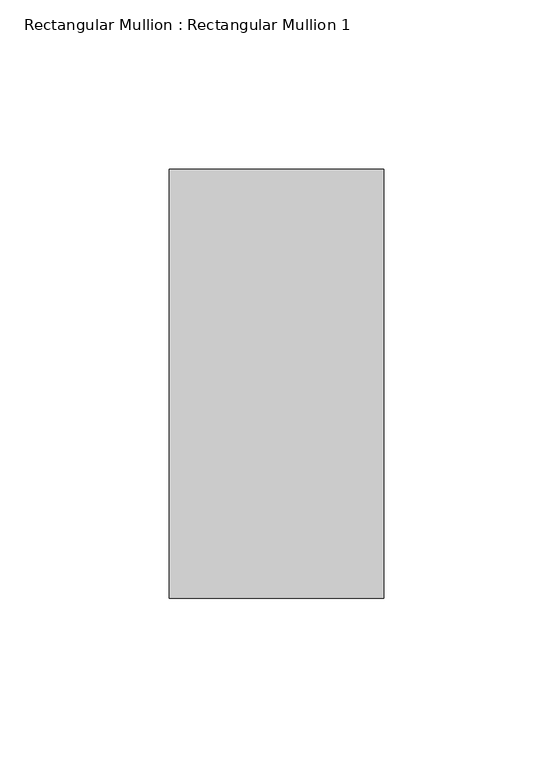
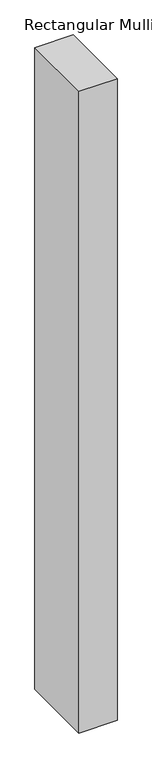
"""IFC4 building model written with IfcOpenShell, lengths in millimetres: member geometry, Rectangular Mullion : Rectangular Mullion 1."""

from ifc_helpers import new_model, si_unit, frame, origin, place, context, project, spatial, polyline, outline, extrude, source, transform, mapped, element, save


def rectangular_mullion_rectangular_mullion_1_929103a0(model_context):
    return source(origin(), model_context, "Body", "SweptSolid", [
        extrude(outline(polyline([(0.0, 63.5), (0.0, -63.5), (-63.5, -63.5), (-63.5, 63.5), (0.0, 63.5)])), frame((0.0, 0.0, -1130.3000041), z_axis=(0.0, 0.0, 1.0), x_axis=(1.0, 0.0, 0.0)), (0.0, 0.0, 1.0), 1130.3000041),
    ])


if __name__ == "__main__":
    model = new_model("IFC4")
    model_context = context("Model", 3, world=origin())
    ifc_project = project(units=[si_unit("LENGTHUNIT", "METRE", prefix="MILLI")], contexts=[model_context])
    site = spatial("IfcSite", under=ifc_project)
    building = spatial("IfcBuilding", under=site)
    placement = place(None, origin())
    rectangular_mullion_rectangular_mullion_1_shape = rectangular_mullion_rectangular_mullion_1_929103a0(model_context)
    element("IfcMember", 1, ObjectType="Rectangular Mullion : Rectangular Mullion 1", at=placement, inside=building, context=model_context, shape_type="MappedRepresentation", body=[
        mapped(rectangular_mullion_rectangular_mullion_1_shape, transform((0.0, 0.0, 0.0), x_axis=(1.0, 0.0, 0.0), y_axis=(0.0, 1.0, 0.0), z_axis=(0.0, 0.0, 1.0))),
    ])
    save(model, "model.ifc")
